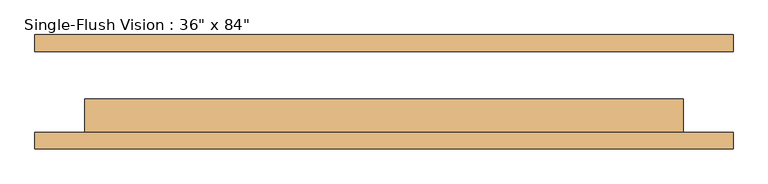
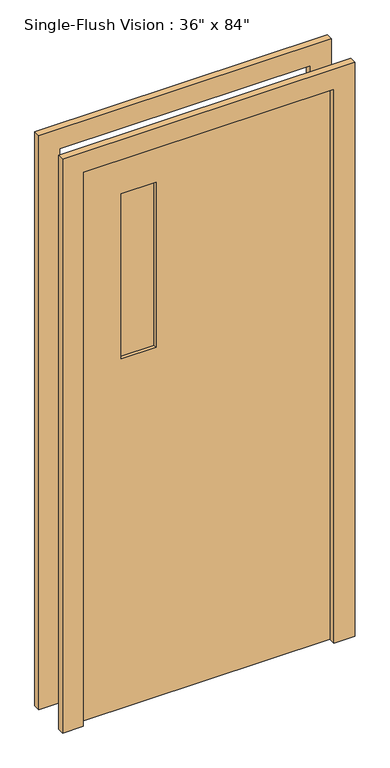
"""IFC4 building model written with IfcOpenShell, lengths in millimetres: door geometry."""

from ifc_helpers import new_model, si_unit, frame, origin, place, context, project, spatial, polyline, outline, extrude, source, transform, mapped, element, save


def door_1467a2ec(model_context):
    return source(origin(), model_context, "Body", "SweptSolid", [
        extrude(outline(polyline([(2209.8, -533.4), (0.0, -533.4), (0.0, -457.2), (2133.6, -457.2), (2133.6, 457.2), (0.0, 457.2), (0.0, 533.4), (2209.8, 533.4), (2209.8, -533.4)])), frame((0.0, -87.3125, 0.0), z_axis=(0.0, 1.0, 0.0), x_axis=(0.0, 0.0, 1.0)), (0.0, 0.0, 1.0), 25.4),
        extrude(outline(polyline([(2133.6, 457.2), (0.0, 457.2), (0.0, 533.4), (2209.8, 533.4), (2209.8, -533.4), (0.0, -533.4), (0.0, -457.2), (2133.6, -457.2), (2133.6, 457.2)])), frame((0.0, 61.9125, 0.0), z_axis=(0.0, 1.0, 0.0), x_axis=(0.0, 0.0, 1.0)), (0.0, 0.0, 1.0), 25.4),
        extrude(outline(polyline([(-177.8, -23.8125), (-177.8, -30.1625), (-304.8, -30.1625), (-304.8, -23.8125), (-177.8, -23.8125)])), frame((0.0, 0.0, 1346.2), z_axis=(0.0, 0.0, 1.0), x_axis=(1.0, 0.0, 0.0)), (0.0, 0.0, 1.0), 635.0),
        extrude(outline(polyline([(-177.8, -42.8625), (-177.8, -49.2125), (-304.8, -49.2125), (-304.8, -42.8625), (-177.8, -42.8625)])), frame((0.0, 0.0, 1346.2), z_axis=(0.0, 0.0, 1.0), x_axis=(1.0, 0.0, 0.0)), (0.0, 0.0, 1.0), 635.0),
        extrude(outline(polyline([(2133.6, -457.2), (0.0, -457.2), (0.0, 457.2), (2133.6, 457.2), (2133.6, -457.2)]), holes=[polyline([(1981.2, -304.8), (1981.2, -177.8), (1346.2, -177.8), (1346.2, -304.8), (1981.2, -304.8)])]), frame((0.0, -61.9125, 0.0), z_axis=(0.0, 1.0, 0.0), x_axis=(0.0, 0.0, 1.0)), (0.0, 0.0, 1.0), 50.8),
    ])


if __name__ == "__main__":
    model = new_model("IFC4")
    model_context = context("Model", 3, world=origin())
    ifc_project = project(units=[si_unit("LENGTHUNIT", "METRE", prefix="MILLI")], contexts=[model_context])
    site = spatial("IfcSite", under=ifc_project)
    building = spatial("IfcBuilding", under=site)
    placement = place(None, origin())
    door_shape = door_1467a2ec(model_context)
    element("IfcDoor", 1, ObjectType="Single-Flush Vision : 36\" x 84\"", at=placement, inside=building, context=model_context, shape_type="MappedRepresentation", body=[
        mapped(door_shape, transform((0.0, 0.0, 0.0), x_axis=(1.0, 0.0, 0.0), y_axis=(0.0, 1.0, 0.0), z_axis=(0.0, 0.0, 1.0))),
    ])
    save(model, "model.ifc")
